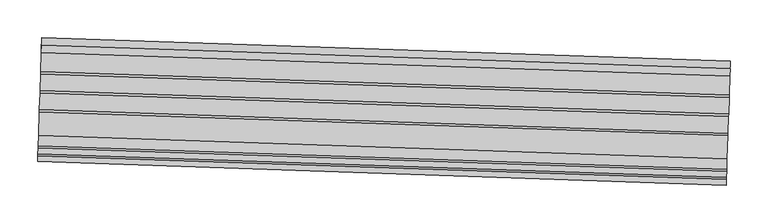
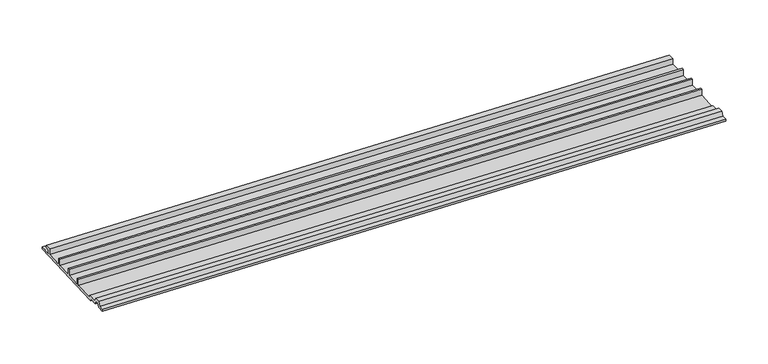
"""IFC4 building model written with IfcOpenShell, lengths in millimetres: proxy geometry."""

from ifc_helpers import new_model, si_unit, frame, origin, place, context, project, spatial, polyline, outline, extrude, source, transform, mapped, element, save


def generic_models_580d80b1(model_context):
    return source(origin(), model_context, "Body", "SweptSolid", [
        extrude(outline(polyline([(0.0, 0.0), (16.66875, 0.0), (16.66875, 4.9129906), (10.31875, 4.9129906), (10.31875, 8.8104386), (19.8437499, 8.8104386), (19.8437499, 1e-07), (45.24375, 1e-07), (45.24375, 9.5250002), (48.4187499, 9.5250002), (48.4187499, 3e-07), (70.64375, 3e-07), (70.64375, 9.5250004), (73.8187499, 9.5250004), (73.8187499, 4e-07), (96.04375, 4e-07), (96.04375, 9.5250005), (99.21875, 9.5250005), (99.21875, 6e-07), (130.175, 6e-07), (130.175, 3.1750007), (144.0273019, 3.1750007), (146.8433294, 9.2139913), (154.7816704, 9.2139913), (157.597698, 3.1750008), (165.1, 3.1750008), (165.1, 8e-07), (155.575, 8e-07), (153.0459233, 5.4236232), (148.5790766, 5.4236232), (146.05, 6e-07), (133.35, 6e-07), (133.35, -3.175), (0.0, -3.175), (0.0, 0.0)])), frame((18231.9846244, -14264.647905, 3036.2574341), z_axis=(-0.9994149475907872, 0.034201791358117926, 0.0), x_axis=(-0.034201791358117926, -0.9994149475907872, 0.0)), (0.0, 0.0, 1.0), 914.4),
    ])


if __name__ == "__main__":
    model = new_model("IFC4")
    model_context = context("Model", 3, world=origin())
    ifc_project = project(units=[si_unit("LENGTHUNIT", "METRE", prefix="MILLI")], contexts=[model_context])
    site = spatial("IfcSite", under=ifc_project)
    building = spatial("IfcBuilding", under=site)
    placement = place(None, origin())
    generic_models_shape = generic_models_580d80b1(model_context)
    element("IfcBuildingElementProxy", 1, Name="Generic Models", at=placement, inside=building, context=model_context, shape_type="MappedRepresentation", body=[
        mapped(generic_models_shape, transform((0.0, 0.0, 0.0), x_axis=(1.0, 0.0, 0.0), y_axis=(0.0, 1.0, 0.0), z_axis=(0.0, 0.0, 1.0))),
    ])
    save(model, "model.ifc")
